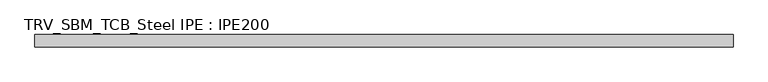
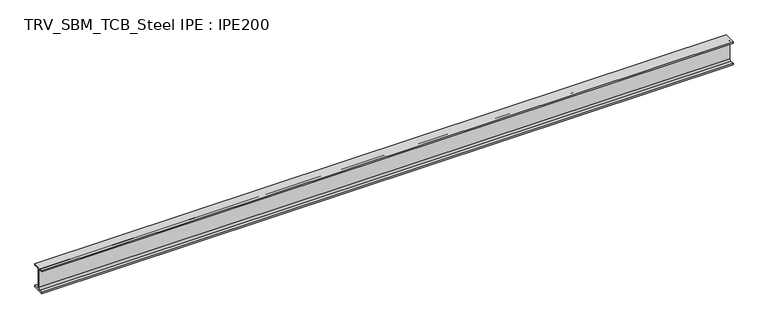
"""IFC4 building model written with IfcOpenShell, lengths in millimetres: beam geometry, TRV_SBM_TCB_Steel IPE : IPE200."""

from ifc_helpers import new_model, si_unit, point, frame, frame_2d, origin, place, context, project, spatial, polyline, circle_curve, trimmed, segment, composite_curve, outline, extrude, source, transform, mapped, element, save


def trv_sbm_tcb_steel_ipe_ipe200_897ff3db(model_context):
    return source(origin(), model_context, "Body", "SweptSolid", [
        extrude(outline(composite_curve([segment(polyline([(50.0, -89.3), (50.0, -100.0), (-50.0, -100.0), (-50.0, -89.3), (-18.55, -89.3)]), True, "CONTINUOUS"), segment(trimmed(circle_curve(frame_2d((-18.55, -74.3)), 15.0), [point((-18.55, -89.3))], [point((-3.55, -74.3))], True, "CARTESIAN"), True, "CONTINUOUS"), segment(polyline([(-3.55, -74.3), (-3.55, 74.3)]), True, "CONTINUOUS"), segment(trimmed(circle_curve(frame_2d((-18.55, 74.3)), 15.0), [point((-3.55, 74.3))], [point((-18.55, 89.3))], True, "CARTESIAN"), True, "CONTINUOUS"), segment(polyline([(-18.55, 89.3), (-50.0, 89.3), (-50.0, 100.0), (50.0, 100.0), (50.0, 89.3), (18.55, 89.3)]), True, "CONTINUOUS"), segment(trimmed(circle_curve(frame_2d((18.55, 74.3)), 15.0), [point((18.55, 89.3))], [point((3.55, 74.3))], True, "CARTESIAN"), True, "CONTINUOUS"), segment(polyline([(3.55, 74.3), (3.55, -74.3)]), True, "CONTINUOUS"), segment(trimmed(circle_curve(frame_2d((18.55, -74.3)), 15.0), [point((3.55, -74.3))], [point((18.55, -89.3))], True, "CARTESIAN"), True, "CONTINUOUS"), segment(polyline([(18.55, -89.3), (50.0, -89.3)]), True, "CONTINUOUS")], self_intersect=False)), frame((-2843.0, 0.0, 0.0), z_axis=(1.0, 0.0, 0.0), x_axis=(0.0, 1.0, 0.0)), (0.0, 0.0, 1.0), 5716.0),
    ])


if __name__ == "__main__":
    model = new_model("IFC4")
    model_context = context("Model", 3, world=origin())
    ifc_project = project(units=[si_unit("LENGTHUNIT", "METRE", prefix="MILLI")], contexts=[model_context])
    site = spatial("IfcSite", under=ifc_project)
    building = spatial("IfcBuilding", under=site)
    placement = place(None, origin())
    trv_sbm_tcb_steel_ipe_ipe200_shape = trv_sbm_tcb_steel_ipe_ipe200_897ff3db(model_context)
    element("IfcBeam", 1, ObjectType="TRV_SBM_TCB_Steel IPE : IPE200", at=placement, inside=building, context=model_context, shape_type="MappedRepresentation", body=[
        mapped(trv_sbm_tcb_steel_ipe_ipe200_shape, transform((0.0, 0.0, 0.0), x_axis=(1.0, 0.0, 0.0), y_axis=(0.0, 1.0, 0.0), z_axis=(0.0, 0.0, 1.0))),
    ])
    save(model, "model.ifc")
